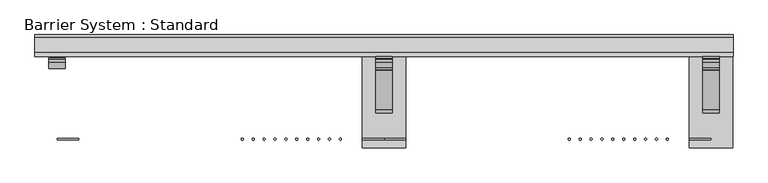
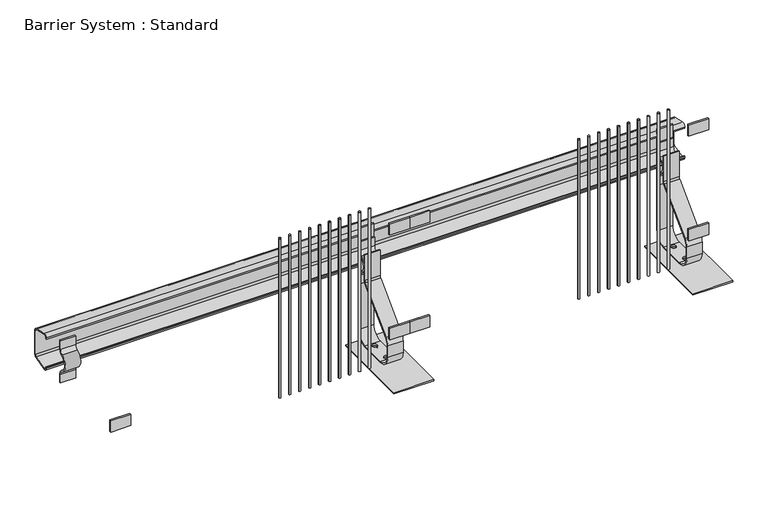
"""IFC4 building model written with IfcOpenShell, lengths in millimetres: proxy geometry, Barrier System : Standard."""

from ifc_helpers import new_model, si_unit, point, frame, frame_2d, origin, origin_with_axes, place, context, project, spatial, polyline, circle_curve, trimmed, segment, composite_curve, outline, extrude, source, transform, mapped, element, save
from ifc_brep_helpers import plane_surface, cylinder_surface, revolved_surface, advanced_brep


def barrier_system_standard_4b58d590(model_context):
    return source(origin(), model_context, "Body", "SolidModel", [
        extrude(outline(composite_curve([segment(trimmed(circle_curve(frame_2d((465.0, 549.2883539)), 15.0), [point((468.6380344, 563.8404914))], [point((480.0, 549.2883539))], False, "CARTESIAN"), True, "CONTINUOUS"), segment(polyline([(480.0, 549.2883539), (480.0, 422.7116461)]), True, "CONTINUOUS"), segment(trimmed(circle_curve(frame_2d((465.0, 422.7116461)), 15.0), [point((480.0, 422.7116461))], [point((468.6380344, 408.1595086))], False, "CARTESIAN"), True, "CONTINUOUS"), segment(polyline([(468.6380344, 408.1595086), (398.6380344, 390.6595086)]), True, "CONTINUOUS"), segment(trimmed(circle_curve(frame_2d((395.0, 405.2116461)), 15.0), [point((398.6380344, 390.6595086))], [point((380.0, 405.2116461))], False, "CARTESIAN"), True, "CONTINUOUS"), segment(polyline([(380.0, 405.2116461), (380.0, 411.0), (385.0, 411.0), (385.0, 405.2116461)]), True, "CONTINUOUS"), segment(trimmed(circle_curve(frame_2d((395.0, 405.2116461)), 10.0), [point((385.0, 405.2116461))], [point((397.4253563, 395.5102211))], True, "CARTESIAN"), True, "CONTINUOUS"), segment(polyline([(397.4253563, 395.5102211), (467.4253563, 413.0102211)]), True, "CONTINUOUS"), segment(trimmed(circle_curve(frame_2d((465.0, 422.7116461)), 10.0), [point((467.4253563, 413.0102211))], [point((475.0, 422.7116461))], True, "CARTESIAN"), True, "CONTINUOUS"), segment(polyline([(475.0, 422.7116461), (475.0, 549.2883539)]), True, "CONTINUOUS"), segment(trimmed(circle_curve(frame_2d((465.0, 549.2883539)), 10.0), [point((475.0, 549.2883539))], [point((467.4253563, 558.9897789))], True, "CARTESIAN"), True, "CONTINUOUS"), segment(polyline([(467.4253563, 558.9897789), (397.4253563, 576.4897789)]), True, "CONTINUOUS"), segment(trimmed(circle_curve(frame_2d((395.0, 566.7883539)), 10.0), [point((397.4253563, 576.4897789))], [point((385.0, 566.7883539))], True, "CARTESIAN"), True, "CONTINUOUS"), segment(polyline([(385.0, 566.7883539), (385.0, 561.0), (380.0, 561.0), (380.0, 566.7883539)]), True, "CONTINUOUS"), segment(trimmed(circle_curve(frame_2d((395.0, 566.7883539)), 15.0), [point((380.0, 566.7883539))], [point((398.6380344, 581.3404914))], False, "CARTESIAN"), True, "CONTINUOUS"), segment(polyline([(398.6380344, 581.3404914), (468.6380344, 563.8404914)]), True, "CONTINUOUS")], self_intersect=False)), frame((-101.5, 0.0, 0.0), z_axis=(1.0, 0.0, 0.0), x_axis=(0.0, 1.0, 0.0)), (0.0, 0.0, 1.0), 3203.0),
        extrude(outline(composite_curve([segment(trimmed(circle_curve(frame_2d((2800.0, 0.0)), 5.0), [point((2805.0, 0.0))], [point((2795.0, 0.0))], False, "CARTESIAN"), True, "CONTINUOUS"), segment(trimmed(circle_curve(frame_2d((2800.0, 0.0)), 5.0), [point((2795.0, 0.0))], [point((2805.0, 0.0))], False, "CARTESIAN"), True, "CONTINUOUS")], self_intersect=False)), frame((0.0, 0.0, 150.0), z_axis=(0.0, 0.0, 1.0), x_axis=(1.0, 0.0, 0.0)), (0.0, 0.0, 1.0), 845.0),
        extrude(outline(composite_curve([segment(trimmed(circle_curve(frame_2d((2750.0, 0.0)), 5.0), [point((2755.0, 0.0))], [point((2745.0, 0.0))], False, "CARTESIAN"), True, "CONTINUOUS"), segment(trimmed(circle_curve(frame_2d((2750.0, 0.0)), 5.0), [point((2745.0, 0.0))], [point((2755.0, 0.0))], False, "CARTESIAN"), True, "CONTINUOUS")], self_intersect=False)), frame((0.0, 0.0, 150.0), z_axis=(0.0, 0.0, 1.0), x_axis=(1.0, 0.0, 0.0)), (0.0, 0.0, 1.0), 845.0),
        extrude(outline(composite_curve([segment(trimmed(circle_curve(frame_2d((2700.0, 0.0)), 5.0), [point((2705.0, 0.0))], [point((2695.0, 0.0))], False, "CARTESIAN"), True, "CONTINUOUS"), segment(trimmed(circle_curve(frame_2d((2700.0, 0.0)), 5.0), [point((2695.0, 0.0))], [point((2705.0, 0.0))], False, "CARTESIAN"), True, "CONTINUOUS")], self_intersect=False)), frame((0.0, 0.0, 150.0), z_axis=(0.0, 0.0, 1.0), x_axis=(1.0, 0.0, 0.0)), (0.0, 0.0, 1.0), 845.0),
        extrude(outline(composite_curve([segment(trimmed(circle_curve(frame_2d((2650.0, 0.0)), 5.0), [point((2655.0, 0.0))], [point((2645.0, 0.0))], False, "CARTESIAN"), True, "CONTINUOUS"), segment(trimmed(circle_curve(frame_2d((2650.0, 0.0)), 5.0), [point((2645.0, 0.0))], [point((2655.0, 0.0))], False, "CARTESIAN"), True, "CONTINUOUS")], self_intersect=False)), frame((0.0, 0.0, 150.0), z_axis=(0.0, 0.0, 1.0), x_axis=(1.0, 0.0, 0.0)), (0.0, 0.0, 1.0), 845.0),
        extrude(outline(composite_curve([segment(trimmed(circle_curve(frame_2d((2600.0, 0.0)), 5.0), [point((2605.0, 0.0))], [point((2595.0, 0.0))], False, "CARTESIAN"), True, "CONTINUOUS"), segment(trimmed(circle_curve(frame_2d((2600.0, 0.0)), 5.0), [point((2595.0, 0.0))], [point((2605.0, 0.0))], False, "CARTESIAN"), True, "CONTINUOUS")], self_intersect=False)), frame((0.0, 0.0, 150.0), z_axis=(0.0, 0.0, 1.0), x_axis=(1.0, 0.0, 0.0)), (0.0, 0.0, 1.0), 845.0),
        extrude(outline(composite_curve([segment(trimmed(circle_curve(frame_2d((2550.0, 0.0)), 5.0), [point((2555.0, 0.0))], [point((2545.0, 0.0))], False, "CARTESIAN"), True, "CONTINUOUS"), segment(trimmed(circle_curve(frame_2d((2550.0, 0.0)), 5.0), [point((2545.0, 0.0))], [point((2555.0, 0.0))], False, "CARTESIAN"), True, "CONTINUOUS")], self_intersect=False)), frame((0.0, 0.0, 150.0), z_axis=(0.0, 0.0, 1.0), x_axis=(1.0, 0.0, 0.0)), (0.0, 0.0, 1.0), 845.0),
        extrude(outline(composite_curve([segment(trimmed(circle_curve(frame_2d((1300.0, 0.0)), 5.0), [point((1305.0, 0.0))], [point((1295.0, 0.0))], False, "CARTESIAN"), True, "CONTINUOUS"), segment(trimmed(circle_curve(frame_2d((1300.0, 0.0)), 5.0), [point((1295.0, 0.0))], [point((1305.0, 0.0))], False, "CARTESIAN"), True, "CONTINUOUS")], self_intersect=False)), frame((0.0, 0.0, 150.0), z_axis=(0.0, 0.0, 1.0), x_axis=(1.0, 0.0, 0.0)), (0.0, 0.0, 1.0), 845.0),
        extrude(outline(composite_curve([segment(trimmed(circle_curve(frame_2d((1250.0, 0.0)), 5.0), [point((1255.0, 0.0))], [point((1245.0, 0.0))], False, "CARTESIAN"), True, "CONTINUOUS"), segment(trimmed(circle_curve(frame_2d((1250.0, 0.0)), 5.0), [point((1245.0, 0.0))], [point((1255.0, 0.0))], False, "CARTESIAN"), True, "CONTINUOUS")], self_intersect=False)), frame((0.0, 0.0, 150.0), z_axis=(0.0, 0.0, 1.0), x_axis=(1.0, 0.0, 0.0)), (0.0, 0.0, 1.0), 845.0),
        extrude(outline(composite_curve([segment(trimmed(circle_curve(frame_2d((1200.0, 0.0)), 5.0), [point((1205.0, 0.0))], [point((1195.0, 0.0))], False, "CARTESIAN"), True, "CONTINUOUS"), segment(trimmed(circle_curve(frame_2d((1200.0, 0.0)), 5.0), [point((1195.0, 0.0))], [point((1205.0, 0.0))], False, "CARTESIAN"), True, "CONTINUOUS")], self_intersect=False)), frame((0.0, 0.0, 150.0), z_axis=(0.0, 0.0, 1.0), x_axis=(1.0, 0.0, 0.0)), (0.0, 0.0, 1.0), 845.0),
        extrude(outline(composite_curve([segment(trimmed(circle_curve(frame_2d((1150.0, 0.0)), 5.0), [point((1155.0, 0.0))], [point((1145.0, 0.0))], False, "CARTESIAN"), True, "CONTINUOUS"), segment(trimmed(circle_curve(frame_2d((1150.0, 0.0)), 5.0), [point((1145.0, 0.0))], [point((1155.0, 0.0))], False, "CARTESIAN"), True, "CONTINUOUS")], self_intersect=False)), frame((0.0, 0.0, 150.0), z_axis=(0.0, 0.0, 1.0), x_axis=(1.0, 0.0, 0.0)), (0.0, 0.0, 1.0), 845.0),
        extrude(outline(composite_curve([segment(trimmed(circle_curve(frame_2d((1100.0, 0.0)), 5.0), [point((1105.0, 0.0))], [point((1095.0, 0.0))], False, "CARTESIAN"), True, "CONTINUOUS"), segment(trimmed(circle_curve(frame_2d((1100.0, 0.0)), 5.0), [point((1095.0, 0.0))], [point((1105.0, 0.0))], False, "CARTESIAN"), True, "CONTINUOUS")], self_intersect=False)), frame((0.0, 0.0, 150.0), z_axis=(0.0, 0.0, 1.0), x_axis=(1.0, 0.0, 0.0)), (0.0, 0.0, 1.0), 845.0),
        extrude(outline(composite_curve([segment(trimmed(circle_curve(frame_2d((1050.0, 0.0)), 5.0), [point((1055.0, 0.0))], [point((1045.0, 0.0))], False, "CARTESIAN"), True, "CONTINUOUS"), segment(trimmed(circle_curve(frame_2d((1050.0, 0.0)), 5.0), [point((1045.0, 0.0))], [point((1055.0, 0.0))], False, "CARTESIAN"), True, "CONTINUOUS")], self_intersect=False)), frame((0.0, 0.0, 150.0), z_axis=(0.0, 0.0, 1.0), x_axis=(1.0, 0.0, 0.0)), (0.0, 0.0, 1.0), 845.0),
        extrude(outline(composite_curve([segment(trimmed(circle_curve(frame_2d((2500.0, 0.0)), 5.0), [point((2505.0, 0.0))], [point((2495.0, 0.0))], False, "CARTESIAN"), True, "CONTINUOUS"), segment(trimmed(circle_curve(frame_2d((2500.0, 0.0)), 5.0), [point((2495.0, 0.0))], [point((2505.0, 0.0))], False, "CARTESIAN"), True, "CONTINUOUS")], self_intersect=False)), frame((0.0, 0.0, 150.0), z_axis=(0.0, 0.0, 1.0), x_axis=(1.0, 0.0, 0.0)), (0.0, 0.0, 1.0), 845.0),
        extrude(outline(composite_curve([segment(trimmed(circle_curve(frame_2d((2450.0, 0.0)), 5.0), [point((2455.0, 0.0))], [point((2445.0, 0.0))], False, "CARTESIAN"), True, "CONTINUOUS"), segment(trimmed(circle_curve(frame_2d((2450.0, 0.0)), 5.0), [point((2445.0, 0.0))], [point((2455.0, 0.0))], False, "CARTESIAN"), True, "CONTINUOUS")], self_intersect=False)), frame((0.0, 0.0, 150.0), z_axis=(0.0, 0.0, 1.0), x_axis=(1.0, 0.0, 0.0)), (0.0, 0.0, 1.0), 845.0),
        extrude(outline(composite_curve([segment(trimmed(circle_curve(frame_2d((2400.0, 0.0)), 5.0), [point((2405.0, 0.0))], [point((2395.0, 0.0))], False, "CARTESIAN"), True, "CONTINUOUS"), segment(trimmed(circle_curve(frame_2d((2400.0, 0.0)), 5.0), [point((2395.0, 0.0))], [point((2405.0, 0.0))], False, "CARTESIAN"), True, "CONTINUOUS")], self_intersect=False)), frame((0.0, 0.0, 150.0), z_axis=(0.0, 0.0, 1.0), x_axis=(1.0, 0.0, 0.0)), (0.0, 0.0, 1.0), 845.0),
        extrude(outline(composite_curve([segment(trimmed(circle_curve(frame_2d((2350.0, 0.0)), 5.0), [point((2355.0, 0.0))], [point((2345.0, 0.0))], False, "CARTESIAN"), True, "CONTINUOUS"), segment(trimmed(circle_curve(frame_2d((2350.0, 0.0)), 5.0), [point((2345.0, 0.0))], [point((2355.0, 0.0))], False, "CARTESIAN"), True, "CONTINUOUS")], self_intersect=False)), frame((0.0, 0.0, 150.0), z_axis=(0.0, 0.0, 1.0), x_axis=(1.0, 0.0, 0.0)), (0.0, 0.0, 1.0), 845.0),
        extrude(outline(composite_curve([segment(trimmed(circle_curve(frame_2d((1000.0, 0.0)), 5.0), [point((1005.0, 0.0))], [point((995.0, 0.0))], False, "CARTESIAN"), True, "CONTINUOUS"), segment(trimmed(circle_curve(frame_2d((1000.0, 0.0)), 5.0), [point((995.0, 0.0))], [point((1005.0, 0.0))], False, "CARTESIAN"), True, "CONTINUOUS")], self_intersect=False)), frame((0.0, 0.0, 150.0), z_axis=(0.0, 0.0, 1.0), x_axis=(1.0, 0.0, 0.0)), (0.0, 0.0, 1.0), 845.0),
        extrude(outline(composite_curve([segment(trimmed(circle_curve(frame_2d((950.0, 0.0)), 5.0), [point((955.0, 0.0))], [point((945.0, 0.0))], False, "CARTESIAN"), True, "CONTINUOUS"), segment(trimmed(circle_curve(frame_2d((950.0, 0.0)), 5.0), [point((945.0, 0.0))], [point((955.0, 0.0))], False, "CARTESIAN"), True, "CONTINUOUS")], self_intersect=False)), frame((0.0, 0.0, 150.0), z_axis=(0.0, 0.0, 1.0), x_axis=(1.0, 0.0, 0.0)), (0.0, 0.0, 1.0), 845.0),
        extrude(outline(composite_curve([segment(trimmed(circle_curve(frame_2d((900.0, 0.0)), 5.0), [point((905.0, 0.0))], [point((895.0, 0.0))], False, "CARTESIAN"), True, "CONTINUOUS"), segment(trimmed(circle_curve(frame_2d((900.0, 0.0)), 5.0), [point((895.0, 0.0))], [point((905.0, 0.0))], False, "CARTESIAN"), True, "CONTINUOUS")], self_intersect=False)), frame((0.0, 0.0, 150.0), z_axis=(0.0, 0.0, 1.0), x_axis=(1.0, 0.0, 0.0)), (0.0, 0.0, 1.0), 845.0),
        extrude(outline(composite_curve([segment(trimmed(circle_curve(frame_2d((850.0, 0.0)), 5.0), [point((855.0, 0.0))], [point((845.0, 0.0))], False, "CARTESIAN"), True, "CONTINUOUS"), segment(trimmed(circle_curve(frame_2d((850.0, 0.0)), 5.0), [point((845.0, 0.0))], [point((855.0, 0.0))], False, "CARTESIAN"), True, "CONTINUOUS")], self_intersect=False)), frame((0.0, 0.0, 150.0), z_axis=(0.0, 0.0, 1.0), x_axis=(1.0, 0.0, 0.0)), (0.0, 0.0, 1.0), 845.0),
        extrude(outline(polyline([(3000.0, -4.0), (2900.0, -4.0), (2900.0, 4.0), (3000.0, 4.0), (3000.0, -4.0)])), frame((0.0, 0.0, 264.7058824), z_axis=(0.0, 0.0, 1.0), x_axis=(1.0, 0.0, 0.0)), (0.0, 0.0, 1.0), 60.0),
        extrude(outline(polyline([(3000.0, -4.0), (2900.0, -4.0), (2900.0, 4.0), (3000.0, 4.0), (3000.0, -4.0)])), frame((0.0, 0.0, 820.2941176), z_axis=(0.0, 0.0, 1.0), x_axis=(1.0, 0.0, 0.0)), (0.0, 0.0, 1.0), 60.0),
        extrude(outline(polyline([(1500.0, -4.0), (1400.0, -4.0), (1400.0, 4.0), (1500.0, 4.0), (1500.0, -4.0)])), frame((0.0, 0.0, 264.7058824), z_axis=(0.0, 0.0, 1.0), x_axis=(1.0, 0.0, 0.0)), (0.0, 0.0, 1.0), 60.0),
        extrude(outline(polyline([(1500.0, -4.0), (1400.0, -4.0), (1400.0, 4.0), (1500.0, 4.0), (1500.0, -4.0)])), frame((0.0, 0.0, 820.2941176), z_axis=(0.0, 0.0, 1.0), x_axis=(1.0, 0.0, 0.0)), (0.0, 0.0, 1.0), 60.0),
        extrude(outline(polyline([(1600.0, -4.0), (1500.0, -4.0), (1500.0, 4.0), (1600.0, 4.0), (1600.0, -4.0)])), frame((0.0, 0.0, 264.7058824), z_axis=(0.0, 0.0, 1.0), x_axis=(1.0, 0.0, 0.0)), (0.0, 0.0, 1.0), 60.0),
        extrude(outline(polyline([(100.0, -4.0), (0.0, -4.0), (0.0, 4.0), (100.0, 4.0), (100.0, -4.0)])), frame((0.0, 0.0, 264.7058824), z_axis=(0.0, 0.0, 1.0), x_axis=(1.0, 0.0, 0.0)), (0.0, 0.0, 1.0), 60.0),
        extrude(outline(polyline([(1600.0, -4.0), (1500.0, -4.0), (1500.0, 4.0), (1600.0, 4.0), (1600.0, -4.0)])), frame((0.0, 0.0, 820.2941176), z_axis=(0.0, 0.0, 1.0), x_axis=(1.0, 0.0, 0.0)), (0.0, 0.0, 1.0), 60.0),
        extrude(outline(composite_curve([segment(polyline([(374.0, 537.5507325), (374.0, 492.5507325)]), True, "CONTINUOUS"), segment(trimmed(circle_curve(frame_2d((344.0, 492.5507325)), 30.0), [point((374.0, 492.5507325))], [point((356.3287671, 465.2011164))], False, "CARTESIAN"), True, "CONTINUOUS"), segment(trimmed(circle_curve(frame_2d((374.0, 426.0)), 43.0), [point((356.3287671, 465.2011164))], [point((356.3287671, 386.7988836))], True, "CARTESIAN"), True, "CONTINUOUS"), segment(trimmed(circle_curve(frame_2d((344.0, 359.4492675)), 30.0), [point((356.3287671, 386.7988836))], [point((374.0, 359.4492675))], False, "CARTESIAN"), True, "CONTINUOUS"), segment(polyline([(374.0, 359.4492675), (374.0, 314.4492675), (368.0, 314.4492675), (368.0, 359.4492675)]), True, "CONTINUOUS"), segment(trimmed(circle_curve(frame_2d((344.0, 359.4492675)), 24.0), [point((368.0, 359.4492675))], [point((353.8630137, 381.3289604))], True, "CARTESIAN"), True, "CONTINUOUS"), segment(trimmed(circle_curve(frame_2d((374.0, 426.0)), 49.0), [point((353.8630137, 381.3289604))], [point((353.8630137, 470.6710396))], False, "CARTESIAN"), True, "CONTINUOUS"), segment(trimmed(circle_curve(frame_2d((344.0, 492.5507325)), 24.0), [point((353.8630137, 470.6710396))], [point((368.0, 492.5507325))], True, "CARTESIAN"), True, "CONTINUOUS"), segment(polyline([(368.0, 492.5507325), (368.0, 537.5507325), (374.0, 537.5507325)]), True, "CONTINUOUS")], self_intersect=False)), frame((2962.0, 0.0, 0.0), z_axis=(1.0, 0.0, 0.0), x_axis=(0.0, 1.0, 0.0)), (0.0, 0.0, 1.0), 76.0),
        advanced_brep(
        [(3038.0, 374.0, 606.0), (3038.0, 380.0, 606.0), (2962.0, 380.0, 606.0), (2962.0, 374.0, 606.0), (2962.0, 374.0, 69.0), (3038.0, 374.0, 69.0), (2962.0, 380.0, 69.0), (2962.0, 320.0, 9.0), (2962.0, 185.0, 9.0), (2962.0, 120.0, 74.0), (2962.0, 120.0, 135.2893219), (2962.0, 134.6446609, 170.6446609), (2962.0, 315.6066017, 351.6066017), (2962.0, 320.0, 362.2132034), (2962.0, 320.0, 496.0), (2962.0, 326.0, 496.0), (2962.0, 326.0, 362.2132034), (2962.0, 319.8492424, 347.363961), (2962.0, 138.8873016, 166.4020203), (2962.0, 126.0, 135.2893219), (2962.0, 126.0, 74.0), (2962.0, 185.0, 15.0), (2962.0, 320.0, 15.0), (3038.0, 380.0, 69.0), (3038.0, 320.0, 15.0), (3038.0, 185.0, 15.0), (3038.0, 126.0, 74.0), (3038.0, 126.0, 135.2893219), (3038.0, 138.8873016, 166.4020203), (3038.0, 319.8492424, 347.363961), (3038.0, 326.0, 362.2132034), (3038.0, 326.0, 496.0), (3038.0, 320.0, 496.0), (3038.0, 320.0, 362.2132034), (3038.0, 315.6066017, 351.6066017), (3038.0, 134.6446609, 170.6446609), (3038.0, 120.0, 135.2893219), (3038.0, 120.0, 74.0), (3038.0, 185.0, 9.0), (3038.0, 320.0, 9.0), (3012.0, 300.0, 15.0), (2988.0, 300.0, 15.0), (3012.0, 200.0, 15.0), (2988.0, 200.0, 15.0), (2988.0, 300.0, 9.0), (3012.0, 300.0, 9.0), (2988.0, 200.0, 9.0), (3012.0, 200.0, 9.0)],
        [
            (0, 1),
            (1, 2),
            (2, 3),
            (3, 0),
            (3, 4),
            (4, 5),
            (5, 0),
            (2, 6),
            (6, 7, circle_curve(frame((2962.0, 320.0, 69.0), z_axis=(-1.0, 0.0, 0.0), x_axis=(0.0, 1.0, 0.0)), 60.0)),
            (7, 8),
            (8, 9, circle_curve(frame((2962.0, 185.0, 74.0), z_axis=(-1.0, 0.0, 0.0), x_axis=(0.0, 0.0, -1.0)), 65.0)),
            (9, 10),
            (10, 11, circle_curve(frame((2962.0, 170.0, 135.2893219), z_axis=(-1.0, 0.0, 0.0), x_axis=(0.0, -1.0, 0.0)), 50.0)),
            (11, 12),
            (12, 13, circle_curve(frame((2962.0, 305.0, 362.2132034), z_axis=(1.0, 0.0, 0.0), x_axis=(0.0, 0.7071067811865497, -0.7071067811865455)), 15.0)),
            (13, 14),
            (14, 15),
            (15, 16),
            (16, 17, circle_curve(frame((2962.0, 305.0, 362.2132034), z_axis=(-1.0, 0.0, 0.0), x_axis=(0.0, 0.7071067811865497, -0.7071067811865455)), 21.0)),
            (17, 18),
            (18, 19, circle_curve(frame((2962.0, 170.0, 135.2893219), z_axis=(1.0, 0.0, 0.0), x_axis=(0.0, -1.0, 0.0)), 44.0)),
            (19, 20),
            (20, 21, circle_curve(frame((2962.0, 185.0, 74.0), z_axis=(1.0, 0.0, 0.0), x_axis=(0.0, 0.0, -1.0)), 59.0)),
            (21, 22),
            (22, 4, circle_curve(frame((2962.0, 320.0, 69.0), z_axis=(1.0, 0.0, 0.0), x_axis=(0.0, 1.0, 0.0)), 54.0)),
            (1, 23),
            (23, 6),
            (5, 24, circle_curve(frame((3038.0, 320.0, 69.0), z_axis=(-1.0, 0.0, 0.0), x_axis=(0.0, 1.0, 0.0)), 54.0)),
            (24, 25),
            (25, 26, circle_curve(frame((3038.0, 185.0, 74.0), z_axis=(-1.0, 0.0, 0.0), x_axis=(0.0, 0.0, -1.0)), 59.0)),
            (26, 27),
            (27, 28, circle_curve(frame((3038.0, 170.0, 135.2893219), z_axis=(-1.0, 0.0, 0.0), x_axis=(0.0, -1.0, 0.0)), 44.0)),
            (28, 29),
            (29, 30, circle_curve(frame((3038.0, 305.0, 362.2132034), z_axis=(1.0, 0.0, 0.0), x_axis=(0.0, 0.7071067811865497, -0.7071067811865455)), 21.0)),
            (30, 31),
            (31, 32),
            (32, 33),
            (33, 34, circle_curve(frame((3038.0, 305.0, 362.2132034), z_axis=(-1.0, 0.0, 0.0), x_axis=(0.0, 0.7071067811865497, -0.7071067811865455)), 15.0)),
            (34, 35),
            (35, 36, circle_curve(frame((3038.0, 170.0, 135.2893219), z_axis=(1.0, 0.0, 0.0), x_axis=(0.0, -1.0, 0.0)), 50.0)),
            (36, 37),
            (37, 38, circle_curve(frame((3038.0, 185.0, 74.0), z_axis=(1.0, 0.0, 0.0), x_axis=(0.0, 0.0, -1.0)), 65.0)),
            (38, 39),
            (39, 23, circle_curve(frame((3038.0, 320.0, 69.0), z_axis=(1.0, 0.0, 0.0), x_axis=(0.0, 1.0, 0.0)), 60.0)),
            (22, 24),
            (39, 7),
            (21, 25),
            (40, 41, circle_curve(frame((3000.0, 300.0, 15.0), z_axis=(0.0, 0.0, -1.0), x_axis=(1.0, 0.0, 0.0)), 12.0)),
            (41, 40, circle_curve(frame((3000.0, 300.0, 15.0), z_axis=(0.0, 0.0, -1.0), x_axis=(1.0, 0.0, 0.0)), 12.0)),
            (42, 43, circle_curve(frame((3000.0, 200.0, 15.0), z_axis=(0.0, 0.0, -1.0), x_axis=(1.0, 0.0, 0.0)), 12.0)),
            (43, 42, circle_curve(frame((3000.0, 200.0, 15.0), z_axis=(0.0, 0.0, -1.0), x_axis=(1.0, 0.0, 0.0)), 12.0)),
            (38, 8),
            (44, 45, circle_curve(frame((3000.0, 300.0, 9.0), z_axis=(0.0, 0.0, 1.0), x_axis=(1.0, 0.0, 0.0)), 12.0)),
            (45, 44, circle_curve(frame((3000.0, 300.0, 9.0), z_axis=(0.0, 0.0, 1.0), x_axis=(1.0, 0.0, 0.0)), 12.0)),
            (46, 47, circle_curve(frame((3000.0, 200.0, 9.0), z_axis=(0.0, 0.0, 1.0), x_axis=(1.0, 0.0, 0.0)), 12.0)),
            (47, 46, circle_curve(frame((3000.0, 200.0, 9.0), z_axis=(0.0, 0.0, 1.0), x_axis=(1.0, 0.0, 0.0)), 12.0)),
            (20, 26),
            (37, 9),
            (19, 27),
            (36, 10),
            (18, 28),
            (35, 11),
            (17, 29),
            (34, 12),
            (16, 30),
            (33, 13),
            (14, 32),
            (31, 15),
            (41, 44),
            (45, 40),
            (43, 46),
            (47, 42),
        ],
        [
            plane_surface(frame((3000.0, 380.0, 606.0), z_axis=(0.0, 0.0, 1.0), x_axis=(1.0, 0.0, 0.0))),
            plane_surface(frame((3038.0, 374.0, 606.0), z_axis=(0.0, -1.0, 0.0), x_axis=(0.0, 0.0, -1.0))),
            plane_surface(frame((2962.0, 374.0, 606.0), z_axis=(-1.0, 0.0, 0.0), x_axis=(0.0, 0.0, -1.0))),
            plane_surface(frame((2962.0, 380.0, 606.0), z_axis=(0.0, 1.0, 0.0), x_axis=(0.0, 0.0, -1.0))),
            plane_surface(frame((3038.0, 380.0, 606.0), z_axis=(1.0, 0.0, 0.0), x_axis=(0.0, 0.0, -1.0))),
            revolved_surface(polyline([(3038.0, 374.0, 69.0), (2962.0, 374.0, 69.0)]), (3000.0, 320.0, 69.0), (1.0, 0.0, 0.0)),
            cylinder_surface(frame((3000.0, 320.0, 69.0), z_axis=(1.0, 0.0, 0.0), x_axis=(0.0, 1.0, 0.0)), 60.0),
            plane_surface(frame((3038.0, 320.0, 15.0), z_axis=(0.0, 0.0, 1.0), x_axis=(0.0, -1.0, 0.0))),
            plane_surface(frame((2962.0, 320.0, 9.0), z_axis=(0.0, 0.0, -1.0), x_axis=(0.0, -1.0, 0.0))),
            revolved_surface(polyline([(3038.0, 185.0, 15.0), (2962.0, 185.0, 15.0)]), (3000.0, 185.0, 74.0), (1.0, 0.0, 0.0)),
            cylinder_surface(frame((3000.0, 185.0, 74.0), z_axis=(1.0, 0.0, 0.0), x_axis=(0.0, 0.0, -1.0)), 65.0),
            plane_surface(frame((3038.0, 126.0, 74.0), z_axis=(0.0, 1.0, 0.0), x_axis=(0.0, 0.0, 1.0))),
            plane_surface(frame((2962.0, 120.0, 74.0), z_axis=(0.0, -1.0, 0.0), x_axis=(0.0, 0.0, 1.0))),
            revolved_surface(polyline([(3038.0, 126.0, 135.2893219), (2962.0, 126.0, 135.2893219)]), (3000.0, 170.0, 135.2893219), (1.0, 0.0, 0.0)),
            cylinder_surface(frame((3000.0, 170.0, 135.2893219), z_axis=(1.0, 0.0, 0.0), x_axis=(0.0, -1.0, 0.0)), 50.0),
            plane_surface(frame((3038.0, 138.8873016, 166.4020203), z_axis=(0.0, 0.7071067811865492, -0.7071067811865459), x_axis=(0.0, 0.7071067811865459, 0.7071067811865492))),
            plane_surface(frame((2962.0, 134.6446609, 170.6446609), z_axis=(0.0, -0.707106781186549, 0.707106781186546), x_axis=(0.0, 0.707106781186546, 0.707106781186549))),
            cylinder_surface(frame((3000.0, 305.0, 362.2132034), z_axis=(-1.0, 0.0, 0.0), x_axis=(0.0, 0.7071067811865497, -0.7071067811865455)), 21.0),
            revolved_surface(polyline([(2962.0, 315.60660171779824, 351.6066016822018), (3038.0, 315.60660171779824, 351.6066016822018)]), (3000.0, 305.0, 362.2132034), (-1.0, 0.0, 0.0)),
            plane_surface(frame((3000.0, 320.0, 496.0), z_axis=(0.0, 0.0, 1.0), x_axis=(1.0, 0.0, 0.0))),
            plane_surface(frame((3038.0, 326.0, 362.2132034), z_axis=(0.0, 1.0, 0.0), x_axis=(0.0, 0.0, 1.0))),
            plane_surface(frame((2962.0, 320.0, 362.2132034), z_axis=(0.0, -1.0, 0.0), x_axis=(0.0, 0.0, 1.0))),
            revolved_surface(polyline([(3012.0, 300.0, 15.0), (3012.0, 300.0, 9.0)]), (3000.0, 300.0, 9.0), (0.0, 0.0, 1.0)),
            revolved_surface(polyline([(3012.0, 200.0, 15.0), (3012.0, 200.0, 9.0)]), (3000.0, 200.0, 0.0), (0.0, 0.0, 1.0)),
        ],
        [
            (0, [[1, 2, 3, 4]]),
            (1, [[5, 6, 7, -4]]),
            (2, [[8, 9, 10, 11, 12, 13, 14, 15, 16, 17, 18, 19, 20, 21, 22, 23, 24, 25, -5, -3]]),
            (3, [[26, 27, -8, -2]]),
            (4, [[-7, 28, 29, 30, 31, 32, 33, 34, 35, 36, 37, 38, 39, 40, 41, 42, 43, 44, -26, -1]]),
            (5, [[-25, 45, -28, -6]]),
            (6, [[-27, -44, 46, -9]]),
            (7, [[47, -29, -45, -24], [48, 49], [50, 51]]),
            (8, [[-46, -43, 52, -10], [53, 54], [55, 56]]),
            (9, [[57, -30, -47, -23]]),
            (10, [[-52, -42, 58, -11]]),
            (11, [[59, -31, -57, -22]]),
            (12, [[-58, -41, 60, -12]]),
            (13, [[61, -32, -59, -21]]),
            (14, [[-60, -40, 62, -13]]),
            (15, [[63, -33, -61, -20]]),
            (16, [[-62, -39, 64, -14]]),
            (17, [[65, -34, -63, -19]]),
            (18, [[-64, -38, 66, -15]]),
            (19, [[67, -36, 68, -17]]),
            (20, [[-68, -35, -65, -18]]),
            (21, [[-66, -37, -67, -16]]),
            (22, [[-49, 69, -54, 70]]),
            (22, [[-53, -69, -48, -70]]),
            (23, [[-51, 71, -56, 72]]),
            (23, [[-55, -71, -50, -72]]),
        ],
    ),
        extrude(outline(polyline([(3100.0, -40.0), (2900.0, -40.0), (2900.0, 380.0), (3100.0, 380.0), (3100.0, -40.0)]), holes=[composite_curve([segment(trimmed(circle_curve(frame_2d((3000.0, 200.0)), 10.0), [point((2990.0, 200.0))], [point((3010.0, 200.0))], True, "CARTESIAN"), True, "CONTINUOUS"), segment(trimmed(circle_curve(frame_2d((3000.0, 200.0)), 10.0), [point((3010.0, 200.0))], [point((2990.0, 200.0))], True, "CARTESIAN"), True, "CONTINUOUS")], self_intersect=False), composite_curve([segment(trimmed(circle_curve(frame_2d((3000.0, 300.0)), 10.0), [point((2990.0, 300.0))], [point((3010.0, 300.0))], True, "CARTESIAN"), True, "CONTINUOUS"), segment(trimmed(circle_curve(frame_2d((3000.0, 300.0)), 10.0), [point((3010.0, 300.0))], [point((2990.0, 300.0))], True, "CARTESIAN"), True, "CONTINUOUS")], self_intersect=False)]), origin_with_axes(), (0.0, 0.0, 1.0), 6.0),
        extrude(outline(composite_curve([segment(polyline([(374.0, 537.5507325), (374.0, 492.5507325)]), True, "CONTINUOUS"), segment(trimmed(circle_curve(frame_2d((344.0, 492.5507325)), 30.0), [point((374.0, 492.5507325))], [point((356.3287671, 465.2011164))], False, "CARTESIAN"), True, "CONTINUOUS"), segment(trimmed(circle_curve(frame_2d((374.0, 426.0)), 43.0), [point((356.3287671, 465.2011164))], [point((356.3287671, 386.7988836))], True, "CARTESIAN"), True, "CONTINUOUS"), segment(trimmed(circle_curve(frame_2d((344.0, 359.4492675)), 30.0), [point((356.3287671, 386.7988836))], [point((374.0, 359.4492675))], False, "CARTESIAN"), True, "CONTINUOUS"), segment(polyline([(374.0, 359.4492675), (374.0, 314.4492675), (368.0, 314.4492675), (368.0, 359.4492675)]), True, "CONTINUOUS"), segment(trimmed(circle_curve(frame_2d((344.0, 359.4492675)), 24.0), [point((368.0, 359.4492675))], [point((353.8630137, 381.3289604))], True, "CARTESIAN"), True, "CONTINUOUS"), segment(trimmed(circle_curve(frame_2d((374.0, 426.0)), 49.0), [point((353.8630137, 381.3289604))], [point((353.8630137, 470.6710396))], False, "CARTESIAN"), True, "CONTINUOUS"), segment(trimmed(circle_curve(frame_2d((344.0, 492.5507325)), 24.0), [point((353.8630137, 470.6710396))], [point((368.0, 492.5507325))], True, "CARTESIAN"), True, "CONTINUOUS"), segment(polyline([(368.0, 492.5507325), (368.0, 537.5507325), (374.0, 537.5507325)]), True, "CONTINUOUS")], self_intersect=False)), frame((1462.0, 0.0, 0.0), z_axis=(1.0, 0.0, 0.0), x_axis=(0.0, 1.0, 0.0)), (0.0, 0.0, 1.0), 76.0),
        advanced_brep(
        [(1538.0, 374.0, 606.0), (1538.0, 380.0, 606.0), (1462.0, 380.0, 606.0), (1462.0, 374.0, 606.0), (1462.0, 374.0, 69.0), (1538.0, 374.0, 69.0), (1462.0, 380.0, 69.0), (1462.0, 320.0, 9.0), (1462.0, 185.0, 9.0), (1462.0, 120.0, 74.0), (1462.0, 120.0, 135.2893219), (1462.0, 134.6446609, 170.6446609), (1462.0, 315.6066017, 351.6066017), (1462.0, 320.0, 362.2132034), (1462.0, 320.0, 496.0), (1462.0, 326.0, 496.0), (1462.0, 326.0, 362.2132034), (1462.0, 319.8492424, 347.363961), (1462.0, 138.8873016, 166.4020203), (1462.0, 126.0, 135.2893219), (1462.0, 126.0, 74.0), (1462.0, 185.0, 15.0), (1462.0, 320.0, 15.0), (1538.0, 380.0, 69.0), (1538.0, 320.0, 15.0), (1538.0, 185.0, 15.0), (1538.0, 126.0, 74.0), (1538.0, 126.0, 135.2893219), (1538.0, 138.8873016, 166.4020203), (1538.0, 319.8492424, 347.363961), (1538.0, 326.0, 362.2132034), (1538.0, 326.0, 496.0), (1538.0, 320.0, 496.0), (1538.0, 320.0, 362.2132034), (1538.0, 315.6066017, 351.6066017), (1538.0, 134.6446609, 170.6446609), (1538.0, 120.0, 135.2893219), (1538.0, 120.0, 74.0), (1538.0, 185.0, 9.0), (1538.0, 320.0, 9.0), (1512.0, 300.0, 15.0), (1488.0, 300.0, 15.0), (1512.0, 200.0, 15.0), (1488.0, 200.0, 15.0), (1488.0, 300.0, 9.0), (1512.0, 300.0, 9.0), (1488.0, 200.0, 9.0), (1512.0, 200.0, 9.0)],
        [
            (0, 1),
            (1, 2),
            (2, 3),
            (3, 0),
            (3, 4),
            (4, 5),
            (5, 0),
            (2, 6),
            (6, 7, circle_curve(frame((1462.0, 320.0, 69.0), z_axis=(-1.0, 0.0, 0.0), x_axis=(0.0, 1.0, 0.0)), 60.0)),
            (7, 8),
            (8, 9, circle_curve(frame((1462.0, 185.0, 74.0), z_axis=(-1.0, 0.0, 0.0), x_axis=(0.0, 0.0, -1.0)), 65.0)),
            (9, 10),
            (10, 11, circle_curve(frame((1462.0, 170.0, 135.2893219), z_axis=(-1.0, 0.0, 0.0), x_axis=(0.0, -1.0, 0.0)), 50.0)),
            (11, 12),
            (12, 13, circle_curve(frame((1462.0, 305.0, 362.2132034), z_axis=(1.0, 0.0, 0.0), x_axis=(0.0, 0.7071067811865497, -0.7071067811865455)), 15.0)),
            (13, 14),
            (14, 15),
            (15, 16),
            (16, 17, circle_curve(frame((1462.0, 305.0, 362.2132034), z_axis=(-1.0, 0.0, 0.0), x_axis=(0.0, 0.7071067811865497, -0.7071067811865455)), 21.0)),
            (17, 18),
            (18, 19, circle_curve(frame((1462.0, 170.0, 135.2893219), z_axis=(1.0, 0.0, 0.0), x_axis=(0.0, -1.0, 0.0)), 44.0)),
            (19, 20),
            (20, 21, circle_curve(frame((1462.0, 185.0, 74.0), z_axis=(1.0, 0.0, 0.0), x_axis=(0.0, 0.0, -1.0)), 59.0)),
            (21, 22),
            (22, 4, circle_curve(frame((1462.0, 320.0, 69.0), z_axis=(1.0, 0.0, 0.0), x_axis=(0.0, 1.0, 0.0)), 54.0)),
            (1, 23),
            (23, 6),
            (5, 24, circle_curve(frame((1538.0, 320.0, 69.0), z_axis=(-1.0, 0.0, 0.0), x_axis=(0.0, 1.0, 0.0)), 54.0)),
            (24, 25),
            (25, 26, circle_curve(frame((1538.0, 185.0, 74.0), z_axis=(-1.0, 0.0, 0.0), x_axis=(0.0, 0.0, -1.0)), 59.0)),
            (26, 27),
            (27, 28, circle_curve(frame((1538.0, 170.0, 135.2893219), z_axis=(-1.0, 0.0, 0.0), x_axis=(0.0, -1.0, 0.0)), 44.0)),
            (28, 29),
            (29, 30, circle_curve(frame((1538.0, 305.0, 362.2132034), z_axis=(1.0, 0.0, 0.0), x_axis=(0.0, 0.7071067811865497, -0.7071067811865455)), 21.0)),
            (30, 31),
            (31, 32),
            (32, 33),
            (33, 34, circle_curve(frame((1538.0, 305.0, 362.2132034), z_axis=(-1.0, 0.0, 0.0), x_axis=(0.0, 0.7071067811865497, -0.7071067811865455)), 15.0)),
            (34, 35),
            (35, 36, circle_curve(frame((1538.0, 170.0, 135.2893219), z_axis=(1.0, 0.0, 0.0), x_axis=(0.0, -1.0, 0.0)), 50.0)),
            (36, 37),
            (37, 38, circle_curve(frame((1538.0, 185.0, 74.0), z_axis=(1.0, 0.0, 0.0), x_axis=(0.0, 0.0, -1.0)), 65.0)),
            (38, 39),
            (39, 23, circle_curve(frame((1538.0, 320.0, 69.0), z_axis=(1.0, 0.0, 0.0), x_axis=(0.0, 1.0, 0.0)), 60.0)),
            (22, 24),
            (39, 7),
            (21, 25),
            (40, 41, circle_curve(frame((1500.0, 300.0, 15.0), z_axis=(0.0, 0.0, -1.0), x_axis=(1.0, 0.0, 0.0)), 12.0)),
            (41, 40, circle_curve(frame((1500.0, 300.0, 15.0), z_axis=(0.0, 0.0, -1.0), x_axis=(1.0, 0.0, 0.0)), 12.0)),
            (42, 43, circle_curve(frame((1500.0, 200.0, 15.0), z_axis=(0.0, 0.0, -1.0), x_axis=(1.0, 0.0, 0.0)), 12.0)),
            (43, 42, circle_curve(frame((1500.0, 200.0, 15.0), z_axis=(0.0, 0.0, -1.0), x_axis=(1.0, 0.0, 0.0)), 12.0)),
            (38, 8),
            (44, 45, circle_curve(frame((1500.0, 300.0, 9.0), z_axis=(0.0, 0.0, 1.0), x_axis=(1.0, 0.0, 0.0)), 12.0)),
            (45, 44, circle_curve(frame((1500.0, 300.0, 9.0), z_axis=(0.0, 0.0, 1.0), x_axis=(1.0, 0.0, 0.0)), 12.0)),
            (46, 47, circle_curve(frame((1500.0, 200.0, 9.0), z_axis=(0.0, 0.0, 1.0), x_axis=(1.0, 0.0, 0.0)), 12.0)),
            (47, 46, circle_curve(frame((1500.0, 200.0, 9.0), z_axis=(0.0, 0.0, 1.0), x_axis=(1.0, 0.0, 0.0)), 12.0)),
            (20, 26),
            (37, 9),
            (19, 27),
            (36, 10),
            (18, 28),
            (35, 11),
            (17, 29),
            (34, 12),
            (16, 30),
            (33, 13),
            (14, 32),
            (31, 15),
            (41, 44),
            (45, 40),
            (43, 46),
            (47, 42),
        ],
        [
            plane_surface(frame((1500.0, 380.0, 606.0), z_axis=(0.0, 0.0, 1.0), x_axis=(1.0, 0.0, 0.0))),
            plane_surface(frame((1538.0, 374.0, 606.0), z_axis=(0.0, -1.0, 0.0), x_axis=(0.0, 0.0, -1.0))),
            plane_surface(frame((1462.0, 374.0, 606.0), z_axis=(-1.0, 0.0, 0.0), x_axis=(0.0, 0.0, -1.0))),
            plane_surface(frame((1462.0, 380.0, 606.0), z_axis=(0.0, 1.0, 0.0), x_axis=(0.0, 0.0, -1.0))),
            plane_surface(frame((1538.0, 380.0, 606.0), z_axis=(1.0, 0.0, 0.0), x_axis=(0.0, 0.0, -1.0))),
            revolved_surface(polyline([(1538.0, 374.0, 69.0), (1462.0, 374.0, 69.0)]), (1500.0, 320.0, 69.0), (1.0, 0.0, 0.0)),
            cylinder_surface(frame((1500.0, 320.0, 69.0), z_axis=(1.0, 0.0, 0.0), x_axis=(0.0, 1.0, 0.0)), 60.0),
            plane_surface(frame((1538.0, 320.0, 15.0), z_axis=(0.0, 0.0, 1.0), x_axis=(0.0, -1.0, 0.0))),
            plane_surface(frame((1462.0, 320.0, 9.0), z_axis=(0.0, 0.0, -1.0), x_axis=(0.0, -1.0, 0.0))),
            revolved_surface(polyline([(1538.0, 185.0, 15.0), (1462.0, 185.0, 15.0)]), (1500.0, 185.0, 74.0), (1.0, 0.0, 0.0)),
            cylinder_surface(frame((1500.0, 185.0, 74.0), z_axis=(1.0, 0.0, 0.0), x_axis=(0.0, 0.0, -1.0)), 65.0),
            plane_surface(frame((1538.0, 126.0, 74.0), z_axis=(0.0, 1.0, 0.0), x_axis=(0.0, 0.0, 1.0))),
            plane_surface(frame((1462.0, 120.0, 74.0), z_axis=(0.0, -1.0, 0.0), x_axis=(0.0, 0.0, 1.0))),
            revolved_surface(polyline([(1538.0, 126.0, 135.2893219), (1462.0, 126.0, 135.2893219)]), (1500.0, 170.0, 135.2893219), (1.0, 0.0, 0.0)),
            cylinder_surface(frame((1500.0, 170.0, 135.2893219), z_axis=(1.0, 0.0, 0.0), x_axis=(0.0, -1.0, 0.0)), 50.0),
            plane_surface(frame((1538.0, 138.8873016, 166.4020203), z_axis=(0.0, 0.7071067811865492, -0.7071067811865459), x_axis=(0.0, 0.7071067811865459, 0.7071067811865492))),
            plane_surface(frame((1462.0, 134.6446609, 170.6446609), z_axis=(0.0, -0.707106781186549, 0.707106781186546), x_axis=(0.0, 0.707106781186546, 0.707106781186549))),
            cylinder_surface(frame((1500.0, 305.0, 362.2132034), z_axis=(-1.0, 0.0, 0.0), x_axis=(0.0, 0.7071067811865497, -0.7071067811865455)), 21.0),
            revolved_surface(polyline([(1462.0, 315.60660171779824, 351.6066016822018), (1538.0, 315.60660171779824, 351.6066016822018)]), (1500.0, 305.0, 362.2132034), (-1.0, 0.0, 0.0)),
            plane_surface(frame((1500.0, 320.0, 496.0), z_axis=(0.0, 0.0, 1.0), x_axis=(1.0, 0.0, 0.0))),
            plane_surface(frame((1538.0, 326.0, 362.2132034), z_axis=(0.0, 1.0, 0.0), x_axis=(0.0, 0.0, 1.0))),
            plane_surface(frame((1462.0, 320.0, 362.2132034), z_axis=(0.0, -1.0, 0.0), x_axis=(0.0, 0.0, 1.0))),
            revolved_surface(polyline([(1512.0, 300.0, 15.0), (1512.0, 300.0, 9.0)]), (1500.0, 300.0, 9.0), (0.0, 0.0, 1.0)),
            revolved_surface(polyline([(1512.0, 200.0, 15.0), (1512.0, 200.0, 9.0)]), (1500.0, 200.0, 0.0), (0.0, 0.0, 1.0)),
        ],
        [
            (0, [[1, 2, 3, 4]]),
            (1, [[5, 6, 7, -4]]),
            (2, [[8, 9, 10, 11, 12, 13, 14, 15, 16, 17, 18, 19, 20, 21, 22, 23, 24, 25, -5, -3]]),
            (3, [[26, 27, -8, -2]]),
            (4, [[-7, 28, 29, 30, 31, 32, 33, 34, 35, 36, 37, 38, 39, 40, 41, 42, 43, 44, -26, -1]]),
            (5, [[-25, 45, -28, -6]]),
            (6, [[-27, -44, 46, -9]]),
            (7, [[47, -29, -45, -24], [48, 49], [50, 51]]),
            (8, [[-46, -43, 52, -10], [53, 54], [55, 56]]),
            (9, [[57, -30, -47, -23]]),
            (10, [[-52, -42, 58, -11]]),
            (11, [[59, -31, -57, -22]]),
            (12, [[-58, -41, 60, -12]]),
            (13, [[61, -32, -59, -21]]),
            (14, [[-60, -40, 62, -13]]),
            (15, [[63, -33, -61, -20]]),
            (16, [[-62, -39, 64, -14]]),
            (17, [[65, -34, -63, -19]]),
            (18, [[-64, -38, 66, -15]]),
            (19, [[67, -36, 68, -17]]),
            (20, [[-68, -35, -65, -18]]),
            (21, [[-66, -37, -67, -16]]),
            (22, [[-49, 69, -54, 70]]),
            (22, [[-53, -69, -48, -70]]),
            (23, [[-51, 71, -56, 72]]),
            (23, [[-55, -71, -50, -72]]),
        ],
    ),
        extrude(outline(polyline([(1600.0, -40.0), (1400.0, -40.0), (1400.0, 380.0), (1600.0, 380.0), (1600.0, -40.0)]), holes=[composite_curve([segment(trimmed(circle_curve(frame_2d((1500.0, 200.0)), 10.0), [point((1490.0, 200.0))], [point((1510.0, 200.0))], True, "CARTESIAN"), True, "CONTINUOUS"), segment(trimmed(circle_curve(frame_2d((1500.0, 200.0)), 10.0), [point((1510.0, 200.0))], [point((1490.0, 200.0))], True, "CARTESIAN"), True, "CONTINUOUS")], self_intersect=False), composite_curve([segment(trimmed(circle_curve(frame_2d((1500.0, 300.0)), 10.0), [point((1490.0, 300.0))], [point((1510.0, 300.0))], True, "CARTESIAN"), True, "CONTINUOUS"), segment(trimmed(circle_curve(frame_2d((1500.0, 300.0)), 10.0), [point((1510.0, 300.0))], [point((1490.0, 300.0))], True, "CARTESIAN"), True, "CONTINUOUS")], self_intersect=False)]), origin_with_axes(), (0.0, 0.0, 1.0), 6.0),
        extrude(outline(composite_curve([segment(polyline([(374.0, 537.5507325), (374.0, 492.5507325)]), True, "CONTINUOUS"), segment(trimmed(circle_curve(frame_2d((344.0, 492.5507325)), 30.0), [point((374.0, 492.5507325))], [point((356.3287671, 465.2011164))], False, "CARTESIAN"), True, "CONTINUOUS"), segment(trimmed(circle_curve(frame_2d((374.0, 426.0)), 43.0), [point((356.3287671, 465.2011164))], [point((356.3287671, 386.7988836))], True, "CARTESIAN"), True, "CONTINUOUS"), segment(trimmed(circle_curve(frame_2d((344.0, 359.4492675)), 30.0), [point((356.3287671, 386.7988836))], [point((374.0, 359.4492675))], False, "CARTESIAN"), True, "CONTINUOUS"), segment(polyline([(374.0, 359.4492675), (374.0, 314.4492675), (368.0, 314.4492675), (368.0, 359.4492675)]), True, "CONTINUOUS"), segment(trimmed(circle_curve(frame_2d((344.0, 359.4492675)), 24.0), [point((368.0, 359.4492675))], [point((353.8630137, 381.3289604))], True, "CARTESIAN"), True, "CONTINUOUS"), segment(trimmed(circle_curve(frame_2d((374.0, 426.0)), 49.0), [point((353.8630137, 381.3289604))], [point((353.8630137, 470.6710396))], False, "CARTESIAN"), True, "CONTINUOUS"), segment(trimmed(circle_curve(frame_2d((344.0, 492.5507325)), 24.0), [point((353.8630137, 470.6710396))], [point((368.0, 492.5507325))], True, "CARTESIAN"), True, "CONTINUOUS"), segment(polyline([(368.0, 492.5507325), (368.0, 537.5507325), (374.0, 537.5507325)]), True, "CONTINUOUS")], self_intersect=False)), frame((-38.0, 0.0, 0.0), z_axis=(1.0, 0.0, 0.0), x_axis=(0.0, 1.0, 0.0)), (0.0, 0.0, 1.0), 76.0),
    ])


if __name__ == "__main__":
    model = new_model("IFC4")
    model_context = context("Model", 3, world=origin())
    ifc_project = project(units=[si_unit("LENGTHUNIT", "METRE", prefix="MILLI")], contexts=[model_context])
    site = spatial("IfcSite", under=ifc_project)
    building = spatial("IfcBuilding", under=site)
    placement = place(None, origin())
    barrier_system_standard_shape = barrier_system_standard_4b58d590(model_context)
    element("IfcBuildingElementProxy", 1, Name="Barrier System : Standard", ObjectType="Barrier System : Standard", at=placement, inside=building, context=model_context, shape_type="MappedRepresentation", body=[
        mapped(barrier_system_standard_shape, transform((0.0, 0.0, 0.0), x_axis=(1.0, 0.0, 0.0), y_axis=(0.0, 1.0, 0.0), z_axis=(0.0, 0.0, 1.0))),
    ])
    save(model, "model.ifc")
